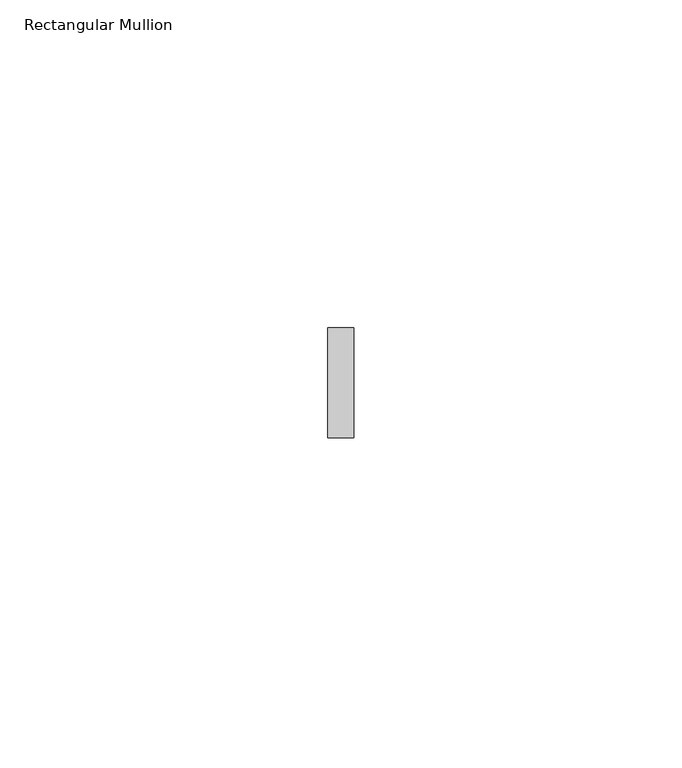
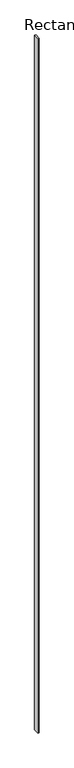
"""IFC4 building model written with IfcOpenShell, lengths in millimetres: member geometry, Rectangular Mullion."""

from ifc_helpers import new_model, si_unit, frame, origin, place, context, project, spatial, polyline, outline, extrude, source, transform, mapped, element, save


def rectangular_mullion_3c5c2a34(model_context):
    return source(origin(), model_context, "Body", "SweptSolid", [
        extrude(outline(polyline([(2.0, 0.0), (2.0, -16.8), (-2.0, -16.8), (-2.0, 0.0), (2.0, 0.0)])), frame((0.0, 0.0, -2239.0), z_axis=(0.0, 0.0, 1.0), x_axis=(1.0, 0.0, 0.0)), (0.0, 0.0, 1.0), 2239.0),
    ])


if __name__ == "__main__":
    model = new_model("IFC4")
    model_context = context("Model", 3, world=origin())
    ifc_project = project(units=[si_unit("LENGTHUNIT", "METRE", prefix="MILLI")], contexts=[model_context])
    site = spatial("IfcSite", under=ifc_project)
    building = spatial("IfcBuilding", under=site)
    placement = place(None, origin())
    rectangular_mullion_shape = rectangular_mullion_3c5c2a34(model_context)
    element("IfcMember", 1, ObjectType="Rectangular Mullion", at=placement, inside=building, context=model_context, shape_type="MappedRepresentation", body=[
        mapped(rectangular_mullion_shape, transform((0.0, 0.0, 0.0), x_axis=(1.0, 0.0, 0.0), y_axis=(0.0, 1.0, 0.0), z_axis=(0.0, 0.0, 1.0))),
    ])
    save(model, "model.ifc")
